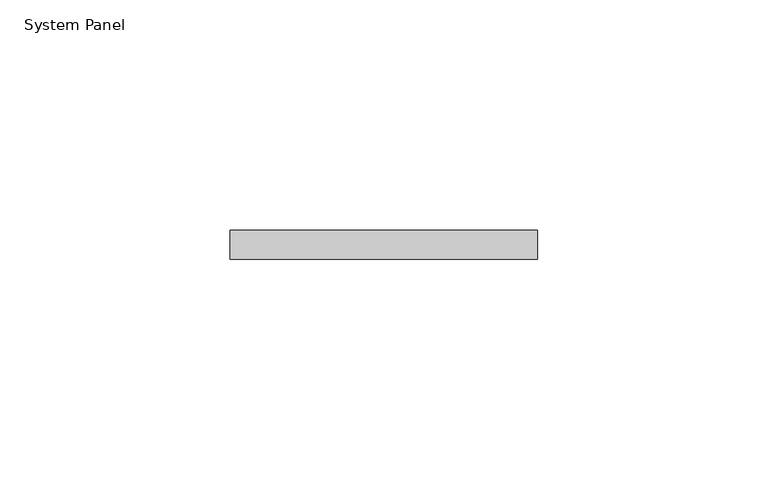
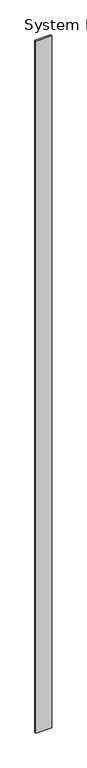
"""IFC4 building model written with IfcOpenShell, lengths in millimetres: plate geometry, System Panel."""

from ifc_helpers import new_model, si_unit, origin, origin_with_axes, place, context, project, spatial, polyline, outline, extrude, source, transform, mapped, element, save


def system_panel_3be28f65(model_context):
    return source(origin(), model_context, "Body", "SweptSolid", [
        extrude(outline(polyline([(33.4429211, 8.73125), (-33.4429211, 8.73125), (-33.4429211, 15.08125), (33.4429211, 15.08125), (33.4429211, 8.73125)])), origin_with_axes(), (0.0, 0.0, 1.0), 3048.0),
    ])


if __name__ == "__main__":
    model = new_model("IFC4")
    model_context = context("Model", 3, world=origin())
    ifc_project = project(units=[si_unit("LENGTHUNIT", "METRE", prefix="MILLI")], contexts=[model_context])
    site = spatial("IfcSite", under=ifc_project)
    building = spatial("IfcBuilding", under=site)
    placement = place(None, origin())
    system_panel_shape = system_panel_3be28f65(model_context)
    element("IfcPlate", 1, ObjectType="System Panel", at=placement, inside=building, context=model_context, shape_type="MappedRepresentation", body=[
        mapped(system_panel_shape, transform((0.0, 0.0, 0.0), x_axis=(1.0, 0.0, 0.0), y_axis=(0.0, 1.0, 0.0), z_axis=(0.0, 0.0, 1.0))),
    ])
    save(model, "model.ifc")
